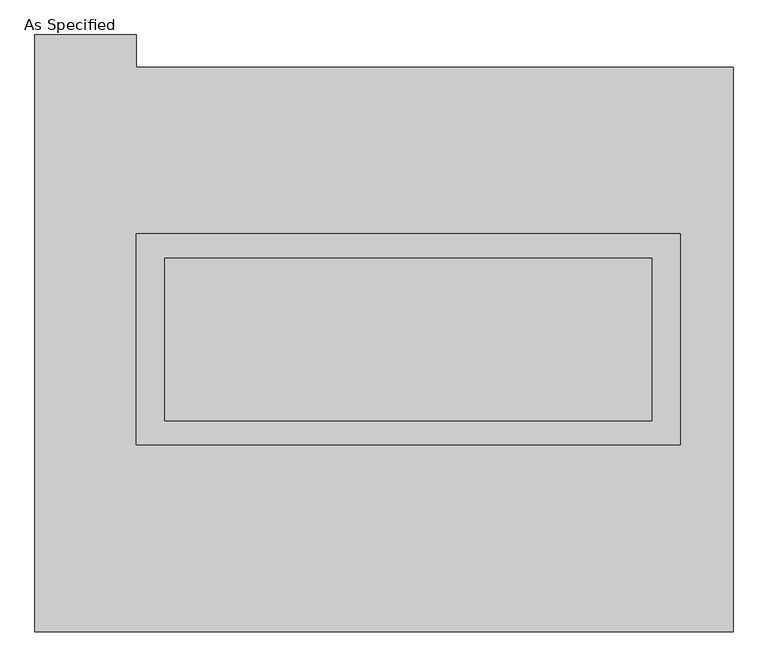
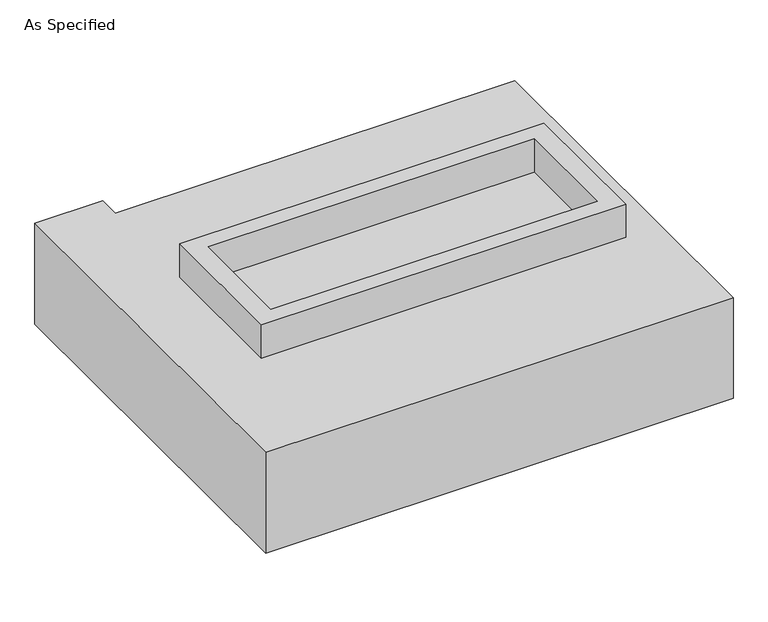
"""IFC4 building model written with IfcOpenShell, lengths in millimetres: proxy geometry, As Specified."""

from ifc_helpers import new_model, si_unit, frame, origin, place, context, project, spatial, polyline, outline, extrude, source, transform, mapped, element, save


def as_specified_8e415993(model_context):
    return source(origin(), model_context, "Body", "SweptSolid", [
        extrude(outline(polyline([(850.9, 361.95), (850.9, -298.45), (-850.9, -298.45), (-850.9, 361.95), (850.9, 361.95)]), holes=[polyline([(762.0, 285.75), (-762.0, 285.75), (-762.0, -222.25), (762.0, -222.25), (762.0, 285.75)])]), frame((0.0, 0.0, -688.975), z_axis=(0.0, 0.0, 1.0), x_axis=(1.0, 0.0, 0.0)), (0.0, 0.0, 1.0), 165.1),
        extrude(outline(polyline([(850.9, 361.95), (850.9, -298.45), (-850.9, -298.45), (-850.9, 361.95), (850.9, 361.95)]), holes=[polyline([(762.0, 285.75), (-762.0, 285.75), (-762.0, -222.25), (762.0, -222.25), (762.0, 285.75)])]), frame((0.0, 0.0, -25.4), z_axis=(0.0, 0.0, 1.0), x_axis=(1.0, 0.0, 0.0)), (0.0, 0.0, 1.0), 165.1),
        extrude(outline(polyline([(762.0, 285.75), (762.0, -222.25), (-762.0, -222.25), (-762.0, 285.75), (762.0, 285.75)])), frame((0.0, 0.0, -523.875), z_axis=(0.0, 0.0, 1.0), x_axis=(1.0, 0.0, 0.0)), (0.0, 0.0, 1.0), 4.9609375),
        extrude(outline(polyline([(762.0, 285.75), (762.0, -222.25), (-762.0, -222.25), (-762.0, 285.75), (762.0, 285.75)])), frame((0.0, 0.0, -30.3609375), z_axis=(0.0, 0.0, 1.0), x_axis=(1.0, 0.0, 0.0)), (0.0, 0.0, 1.0), 4.9609375),
        extrude(outline(polyline([(1016.0, -882.65), (-1168.4, -882.65), (-1168.4, 984.25), (-850.9, 984.25), (-850.9, 882.65), (1016.0, 882.65), (1016.0, -882.65)]), holes=[polyline([(-850.9, 361.95), (-850.9, -298.45), (850.9, -298.45), (850.9, 361.95), (-850.9, 361.95)])]), frame((0.0, 0.0, -523.875), z_axis=(0.0, 0.0, 1.0), x_axis=(1.0, 0.0, 0.0)), (0.0, 0.0, 1.0), 498.475),
    ])


if __name__ == "__main__":
    model = new_model("IFC4")
    model_context = context("Model", 3, world=origin())
    ifc_project = project(units=[si_unit("LENGTHUNIT", "METRE", prefix="MILLI")], contexts=[model_context])
    site = spatial("IfcSite", under=ifc_project)
    building = spatial("IfcBuilding", under=site)
    placement = place(None, origin())
    as_specified_shape = as_specified_8e415993(model_context)
    element("IfcBuildingElementProxy", 1, Name="As Specified", ObjectType="As Specified", at=placement, inside=building, context=model_context, shape_type="MappedRepresentation", body=[
        mapped(as_specified_shape, transform((0.0, 0.0, 0.0), x_axis=(1.0, 0.0, 0.0), y_axis=(0.0, 1.0, 0.0), z_axis=(0.0, 0.0, 1.0))),
    ])
    save(model, "model.ifc")
